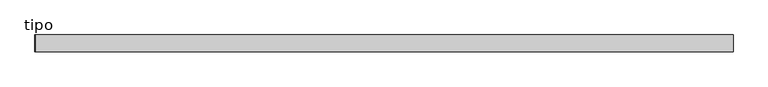
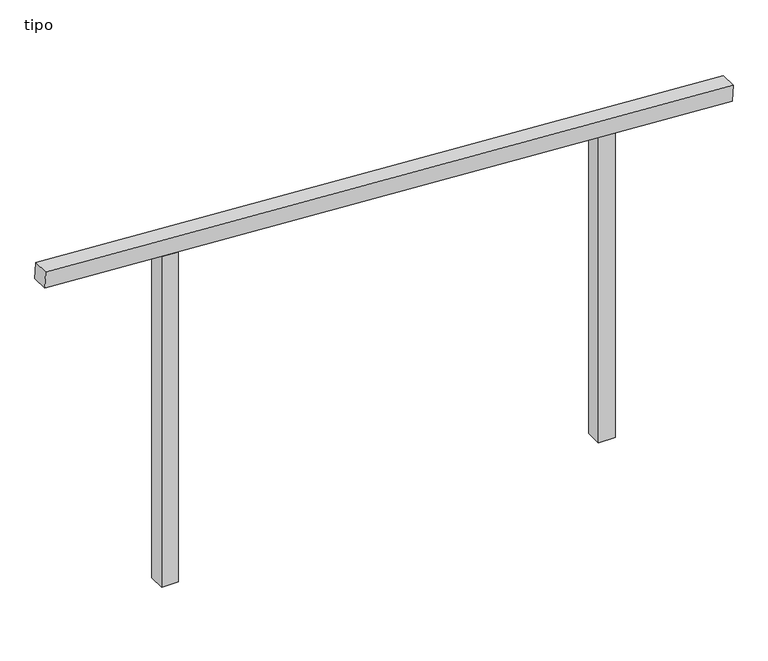
"""IFC4 building model written with IfcOpenShell, lengths in millimetres: proxy geometry, tipo."""

from ifc_helpers import new_model, si_unit, frame, origin, place, context, project, spatial, polyline, outline, extrude, source, transform, mapped, element, save


def tipo_c9394e07(model_context):
    return source(origin(), model_context, "Body", "SweptSolid", [
        extrude(outline(polyline([(0.0, -4100.0), (0.0, 0.0), (100.0, 0.0), (100.0, -4100.0), (0.0, -4100.0)])), frame((-2045.9890651, -100.0, 2128.1746682), z_axis=(0.06252422839889893, 0.0, 0.9980434463805283), x_axis=(0.0, 1.0, 0.0)), (0.0, 0.0, 1.0), 100.0),
        extrude(outline(polyline([(1915.4268197, 1350.0), (1921.6914997, 1250.0), (0.0, 1250.0), (0.0, 1350.0), (1915.4268197, 1350.0)])), frame((0.0, -100.0, 0.0), z_axis=(0.0, 1.0, 0.0), x_axis=(0.0, 0.0, 1.0)), (0.0, 0.0, 1.0), 100.0),
        extrude(outline(polyline([(2084.5731803, -1350.0), (0.0, -1350.0), (0.0, -1250.0), (2078.3085003, -1250.0), (2084.5731803, -1350.0)])), frame((0.0, -100.0, 0.0), z_axis=(0.0, 1.0, 0.0), x_axis=(0.0, 0.0, 1.0)), (0.0, 0.0, 1.0), 100.0),
    ])


if __name__ == "__main__":
    model = new_model("IFC4")
    model_context = context("Model", 3, world=origin())
    ifc_project = project(units=[si_unit("LENGTHUNIT", "METRE", prefix="MILLI")], contexts=[model_context])
    site = spatial("IfcSite", under=ifc_project)
    building = spatial("IfcBuilding", under=site)
    placement = place(None, origin())
    tipo_shape = tipo_c9394e07(model_context)
    element("IfcBuildingElementProxy", 1, Name="tipo", ObjectType="tipo", at=placement, inside=building, context=model_context, shape_type="MappedRepresentation", body=[
        mapped(tipo_shape, transform((0.0, 0.0, 0.0), x_axis=(1.0, 0.0, 0.0), y_axis=(0.0, 1.0, 0.0), z_axis=(0.0, 0.0, 1.0))),
    ])
    save(model, "model.ifc")
